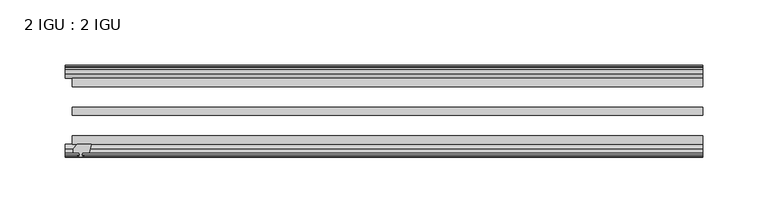
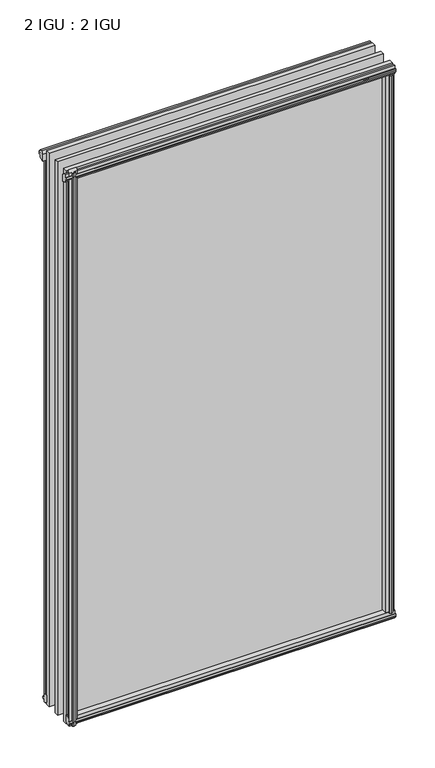
"""IFC4 building model written with IfcOpenShell, lengths in millimetres: plate geometry, 2 IGU : 2 IGU."""

from ifc_helpers import new_model, si_unit, frame, origin, origin_with_axes, place, context, project, spatial, polyline, outline, extrude, source, transform, mapped, element, save


def plate_2_igu_2_igu_00c2722a(model_context):
    return source(origin(), model_context, "Body", "SweptSolid", [
        extrude(outline(polyline([(-226.2642377, -69.9960936), (-227.9819558, -76.3460936), (-233.1889558, -76.3460936), (-233.5699558, -78.7262905), (-232.1544267, -78.2663573), (-232.1544267, -79.0675715), (-234.3319558, -79.7750936), (-236.5094848, -79.0675715), (-236.5094848, -78.2663573), (-235.0939558, -78.7262905), (-235.4749558, -76.3460936), (-239.9199558, -76.3460936), (-239.9199558, -73.3996936), (-237.0856136, -69.9960936), (-226.2642377, -69.9960936)])), frame((0.0, 0.0, -12.303125), z_axis=(0.0, 0.0, 1.0), x_axis=(1.0, 0.0, 0.0)), (0.0, 0.0, 1.0), 862.961825),
        extrude(outline(polyline([(232.6751267, -10.4746158), (234.8526558, -9.7670937), (237.0301848, -10.4746158), (237.0301848, -11.27583), (235.6146558, -10.8158968), (235.9956558, -13.1960937), (240.4406558, -13.1960937), (240.4406558, -16.1424937), (237.6063136, -19.5460937), (226.7849377, -19.5460937), (228.5026558, -13.1960937), (233.7096558, -13.1960937), (234.0906558, -10.8158968), (232.6751267, -11.27583), (232.6751267, -10.4746158)])), origin_with_axes(), (0.0, 0.0, 1.0), 838.2),
        extrude(outline(polyline([(-19.5460937, 1.5938931), (-13.1960937, -0.123825), (-13.1960937, -5.330825), (-10.8158968, -5.711825), (-11.27583, -4.2962959), (-10.4746158, -4.2962959), (-9.7670937, -6.473825), (-10.4746158, -8.6513541), (-11.27583, -8.6513541), (-10.8158968, -7.235825), (-13.1960937, -7.616825), (-13.1960937, -12.061825), (-16.1424937, -12.061825), (-19.5460937, -9.2274828), (-19.5460937, 1.5938931)])), frame((-240.6819558, 0.0, 0.0), z_axis=(1.0, 0.0, 0.0), x_axis=(0.0, 1.0, 0.0)), (0.0, 0.0, 1.0), 481.3639115),
        extrude(outline(polyline([(-69.9960936, 2.1145931), (-69.9960936, -8.7067828), (-73.3996936, -11.541125), (-76.3460936, -11.541125), (-76.3460936, -7.096125), (-78.7262905, -6.715125), (-78.2663573, -8.1306541), (-79.0675715, -8.1306541), (-79.7750936, -5.953125), (-79.0675715, -3.7755959), (-78.2663573, -3.7755959), (-78.7262905, -5.191125), (-76.3460936, -4.810125), (-76.3460936, 0.396875), (-69.9960936, 2.1145931)])), frame((-240.6819558, 0.0, 0.0), z_axis=(1.0, 0.0, 0.0), x_axis=(0.0, 1.0, 0.0)), (0.0, 0.0, 1.0), 481.3639115),
        extrude(outline(polyline([(-10.8158968, 845.8327), (-11.27583, 847.2482291), (-10.4746158, 847.2482291), (-9.7670937, 845.0707), (-10.4746158, 842.8931709), (-11.27583, 842.8931709), (-10.8158968, 844.3087), (-13.1960937, 843.9277), (-13.1960937, 838.7207), (-19.5460937, 837.0029819), (-19.5460937, 847.8243578), (-16.1424937, 850.6587), (-13.1960937, 850.6587), (-13.1960937, 846.2137), (-10.8158968, 845.8327)])), frame((-246.0280617, 0.0, 0.0), z_axis=(1.0, 0.0, 0.0), x_axis=(0.0, 1.0, 0.0)), (0.0, 0.0, 1.0), 486.7100174),
        extrude(outline(polyline([(-76.3460936, 850.138), (-73.3996936, 850.138), (-69.9960936, 847.3036578), (-69.9960936, 836.4822819), (-76.3460936, 838.2), (-76.3460936, 843.407), (-78.7262905, 843.788), (-78.2663573, 842.3724709), (-79.0675715, 842.3724709), (-79.7750936, 844.55), (-79.0675715, 846.7275291), (-78.2663573, 846.7275291), (-78.7262905, 845.312), (-76.3460936, 845.693), (-76.3460936, 850.138)])), frame((-246.0280617, 0.0, 0.0), z_axis=(1.0, 0.0, 0.0), x_axis=(0.0, 1.0, 0.0)), (0.0, 0.0, 1.0), 486.7100174),
        extrude(outline(polyline([(226.2642377, -69.9960936), (237.0856136, -69.9960936), (239.9199558, -73.3996936), (239.9199558, -76.3460936), (235.4749558, -76.3460936), (235.0939558, -78.7262905), (236.5094848, -78.2663573), (236.5094848, -79.0675715), (234.3319558, -79.7750936), (232.1544267, -79.0675715), (232.1544267, -78.2663573), (233.5699558, -78.7262905), (233.1889558, -76.3460936), (227.9819558, -76.3460936), (226.2642377, -69.9960936)])), origin_with_axes(), (0.0, 0.0, 1.0), 838.2),
        extrude(outline(polyline([(-234.8526558, -9.7670937), (-232.6751267, -10.4746158), (-232.6751267, -11.27583), (-234.0906558, -10.8158968), (-233.7096558, -13.1960937), (-228.5026558, -13.1960937), (-226.7849377, -19.5460937), (-237.6063136, -19.5460937), (-240.4406558, -16.1424937), (-240.4406558, -13.1960937), (-235.9956558, -13.1960937), (-235.6146558, -10.8158968), (-237.0301848, -11.27583), (-237.0301848, -10.4746158), (-234.8526558, -9.7670937)])), origin_with_axes(), (0.0, 0.0, 1.0), 838.2),
        extrude(outline(polyline([(240.6819558, -19.5460937), (240.6819558, -25.8960937), (-240.6819558, -25.8960937), (-240.6819558, -19.5460937), (240.6819558, -19.5460937)])), frame((0.0, 0.0, -12.303125), z_axis=(0.0, 0.0, 1.0), x_axis=(1.0, 0.0, 0.0)), (0.0, 0.0, 1.0), 863.203125),
        extrude(outline(polyline([(-240.6819558, -41.5960937), (240.6819558, -41.5960937), (240.6819558, -47.9460937), (-240.6819558, -47.9460937), (-240.6819558, -41.5960937)])), frame((0.0, 0.0, -12.303125), z_axis=(0.0, 0.0, 1.0), x_axis=(1.0, 0.0, 0.0)), (0.0, 0.0, 1.0), 863.203125),
        extrude(outline(polyline([(240.6819558, -63.6460936), (240.6819558, -69.9960936), (-240.6819558, -69.9960936), (-240.6819558, -63.6460936), (240.6819558, -63.6460936)])), frame((0.0, 0.0, -12.303125), z_axis=(0.0, 0.0, 1.0), x_axis=(1.0, 0.0, 0.0)), (0.0, 0.0, 1.0), 863.203125),
    ])


if __name__ == "__main__":
    model = new_model("IFC4")
    model_context = context("Model", 3, world=origin())
    ifc_project = project(units=[si_unit("LENGTHUNIT", "METRE", prefix="MILLI")], contexts=[model_context])
    site = spatial("IfcSite", under=ifc_project)
    building = spatial("IfcBuilding", under=site)
    placement = place(None, origin())
    plate_2_igu_2_igu_shape = plate_2_igu_2_igu_00c2722a(model_context)
    element("IfcPlate", 1, ObjectType="2 IGU : 2 IGU", at=placement, inside=building, context=model_context, shape_type="MappedRepresentation", body=[
        mapped(plate_2_igu_2_igu_shape, transform((0.0, 0.0, 0.0), x_axis=(1.0, 0.0, 0.0), y_axis=(0.0, 1.0, 0.0), z_axis=(0.0, 0.0, 1.0))),
    ])
    save(model, "model.ifc")
